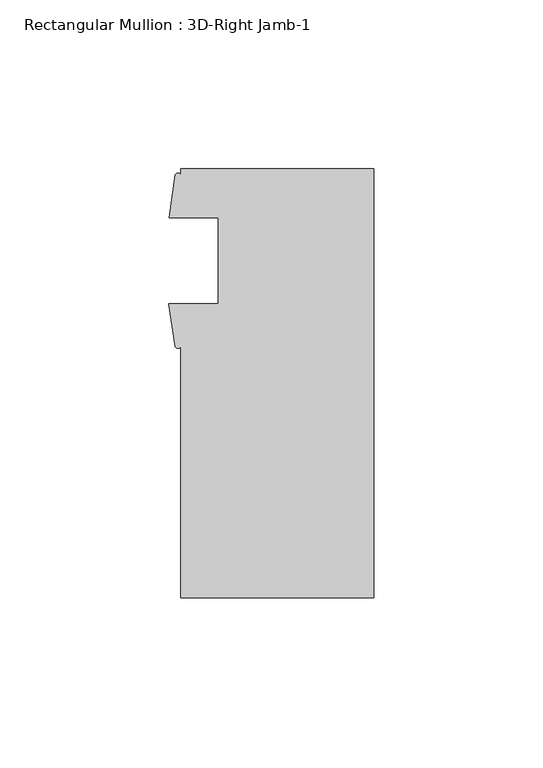
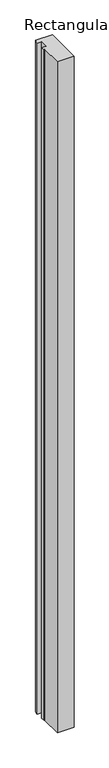
"""IFC4 building model written with IfcOpenShell, lengths in millimetres: member geometry, Rectangular Mullion : 3D-Right Jamb-1."""

from ifc_helpers import new_model, si_unit, point, frame, frame_2d, origin, place, context, project, spatial, polyline, circle_curve, trimmed, segment, composite_curve, outline, extrude, source, transform, mapped, element, save


def rectangular_mullion_3d_right_jamb_1_3716b93b(model_context):
    return source(origin(), model_context, "Body", "SweptSolid", [
        extrude(outline(composite_curve([segment(polyline([(0.0, -73.025), (-57.15, -73.025), (-57.15, 1.2984222)]), True, "CONTINUOUS"), segment(trimmed(circle_curve(frame_2d((-57.9817022, 1.8187213)), 0.9810401), [point((-57.15, 1.2984222))], [point((-58.8134044, 1.2984222))], False, "CARTESIAN"), True, "CONTINUOUS"), segment(polyline([(-58.8134044, 1.2984222), (-60.6695217, 14.071475), (-46.0375, 14.071475), (-46.0375, 39.471475), (-60.546, 39.471475), (-58.7358963, 52.2427625)]), True, "CONTINUOUS"), segment(trimmed(circle_curve(frame_2d((-57.9429481, 51.7715389)), 0.9223982), [point((-58.7358963, 52.2427625))], [point((-57.15, 52.2427625))], False, "CARTESIAN"), True, "CONTINUOUS"), segment(polyline([(-57.15, 52.2427625), (-57.15, 53.975), (0.0, 53.975), (0.0, -73.025)]), True, "CONTINUOUS")], self_intersect=False)), frame((0.0, 0.0, -2406.6584406), z_axis=(0.0, 0.0, 1.0), x_axis=(1.0, 0.0, 0.0)), (0.0, 0.0, 1.0), 2406.6584406),
    ])


if __name__ == "__main__":
    model = new_model("IFC4")
    model_context = context("Model", 3, world=origin())
    ifc_project = project(units=[si_unit("LENGTHUNIT", "METRE", prefix="MILLI")], contexts=[model_context])
    site = spatial("IfcSite", under=ifc_project)
    building = spatial("IfcBuilding", under=site)
    placement = place(None, origin())
    rectangular_mullion_3d_right_jamb_1_shape = rectangular_mullion_3d_right_jamb_1_3716b93b(model_context)
    element("IfcMember", 1, ObjectType="Rectangular Mullion : 3D-Right Jamb-1", at=placement, inside=building, context=model_context, shape_type="MappedRepresentation", body=[
        mapped(rectangular_mullion_3d_right_jamb_1_shape, transform((0.0, 0.0, 0.0), x_axis=(1.0, 0.0, 0.0), y_axis=(0.0, 1.0, 0.0), z_axis=(0.0, 0.0, 1.0))),
    ])
    save(model, "model.ifc")
